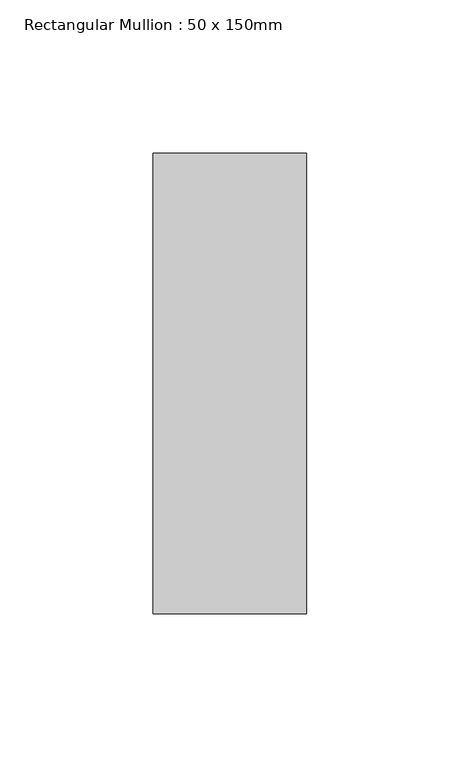
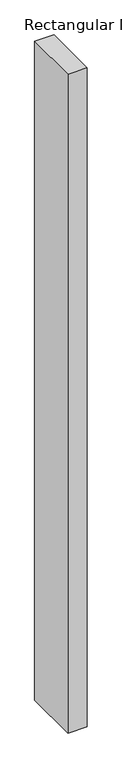
"""IFC4 building model written with IfcOpenShell, lengths in millimetres: member geometry, Rectangular Mullion : 50 x 150mm."""

import ifcopenshell
import ifcopenshell.guid

model = None  # the IFC model being written
_history = None  # IfcOwnerHistory: only IFC2X3 demands one
_inside = {}  # id of a spatial element -> (the spatial element, [elements in it])
_under = {}  # id of a project, library or spatial element -> (it, [spatial elements below it])
_declared = {}  # id of a project -> (the project, [libraries it declares])
_typed = {}  # id of a type object -> (the type object, [elements of that type])
_made_of = {}  # id of a material, layer set ... -> (it, [elements and type objects made of it])


def new_model(schema):
    """Start an empty IFC model of exactly this schema.

    Asked for "IFC4X3", IfcOpenShell would pick the latest addendum, in which some entities
    have other attributes; the version numbers below select the first issue.
    IFC2X3 requires an IfcOwnerHistory on every rooted entity: one is made here for all.
    """
    global model, _history
    if schema == "IFC4X3":
        model = ifcopenshell.file(schema_version=(4, 3, 0, 0))
    else:
        model = ifcopenshell.file(schema=schema)
    _inside.clear()
    _under.clear()
    _declared.clear()
    _typed.clear()
    _made_of.clear()
    _history = None
    if model.schema == "IFC2X3":
        org = make("IfcOrganization", Name="unknown")
        user = make(
            "IfcPersonAndOrganization",
            ThePerson=make("IfcPerson", FamilyName="unknown"),
            TheOrganization=org,
        )
        app = make(
            "IfcApplication",
            ApplicationDeveloper=org,
            Version="unknown",
            ApplicationFullName="unknown",
            ApplicationIdentifier="unknown",
        )
        _history = make(
            "IfcOwnerHistory",
            OwningUser=user,
            OwningApplication=app,
            ChangeAction="ADDED",
            CreationDate=0,
        )
    return model


def make(cls, **values):
    """One entity of the class cls with the attributes given. An attribute that is None is left unset."""
    return model.create_entity(
        cls, **{name: value for name, value in values.items() if value is not None}
    )


def rooted(cls, **values):
    """An entity with a GlobalId (a new one), such as an element, a storey or a relation."""
    return make(cls, GlobalId=ifcopenshell.guid.new(), OwnerHistory=_history, **values)


def si_unit(unit_type, name, prefix=None):
    """IfcSIUnit, for example si_unit("LENGTHUNIT", "METRE", prefix="MILLI")."""
    return make("IfcSIUnit", UnitType=unit_type, Prefix=prefix, Name=name)


def assignment(units):
    """IfcUnitAssignment: the units of a project."""
    return None if units is None else make("IfcUnitAssignment", Units=units)


def point(xyz):
    """IfcCartesianPoint."""
    return None if xyz is None else make("IfcCartesianPoint", Coordinates=xyz)


def direction(xyz):
    """IfcDirection."""
    return None if xyz is None else make("IfcDirection", DirectionRatios=xyz)


def frame(location, z_axis=None, x_axis=None):
    """IfcAxis2Placement3D, a coordinate frame: its origin and axes. An axis left out is left unset."""
    return make(
        "IfcAxis2Placement3D",
        Location=point(location),
        Axis=direction(z_axis),
        RefDirection=direction(x_axis),
    )


def origin():
    """The frame at (0, 0, 0) with its axes left unset."""
    return frame((0.0, 0.0, 0.0))


def place(relative_to, where):
    """IfcLocalPlacement: puts the frame where relative to a parent placement (None: the world)."""
    return make(
        "IfcLocalPlacement", PlacementRelTo=relative_to, RelativePlacement=where
    )


def context(
    kind, dimensions, precision=None, world=None, true_north=None, identifier=None
):
    """IfcGeometricRepresentationContext, for example the 3D "Model" context."""
    return make(
        "IfcGeometricRepresentationContext",
        ContextIdentifier=identifier,
        ContextType=kind,
        CoordinateSpaceDimension=dimensions,
        Precision=precision,
        WorldCoordinateSystem=world,
        TrueNorth=true_north,
    )


def project(units=None, contexts=None):
    """IfcProject with its units and contexts."""
    return rooted(
        "IfcProject",
        Name="project",
        RepresentationContexts=contexts,
        UnitsInContext=assignment(units),
    )


def spatial(cls, under=None, at=None, **own):
    """A site, building, storey or space (cls), placed at a placement, below another one or the project."""
    s = rooted(cls, ObjectPlacement=at, **own)
    if under is not None:
        _under.setdefault(under.id(), (under, []))[1].append(s)
    return s


def polyline(points):
    """IfcPolyline through the points."""
    return make("IfcPolyline", Points=[point(p) for p in points])


def outline(outer, holes=None, kind="AREA"):
    """IfcArbitraryClosedProfileDef: a profile drawn as a closed curve; with holes, ...WithVoids."""
    if holes is None:
        return make("IfcArbitraryClosedProfileDef", ProfileType=kind, OuterCurve=outer)
    return make(
        "IfcArbitraryProfileDefWithVoids",
        ProfileType=kind,
        OuterCurve=outer,
        InnerCurves=holes,
    )


def extrude(swept, where, along, depth):
    """IfcExtrudedAreaSolid: the profile swept, set in the frame where, extruded along a direction by depth."""
    return make(
        "IfcExtrudedAreaSolid",
        SweptArea=swept,
        Position=where,
        ExtrudedDirection=direction(along),
        Depth=depth,
    )


def shape(context_of_items, identifier, shape_type, items):
    """IfcShapeRepresentation: the items that make up one representation, for example the "Body"."""
    return make(
        "IfcShapeRepresentation",
        ContextOfItems=context_of_items,
        RepresentationIdentifier=identifier,
        RepresentationType=shape_type,
        Items=items,
    )


def source(mapping_origin, context_of_items, identifier, shape_type, items):
    """IfcRepresentationMap: a shape defined once, which mapped items show again and again."""
    return make(
        "IfcRepresentationMap",
        MappingOrigin=mapping_origin,
        MappedRepresentation=shape(context_of_items, identifier, shape_type, items),
    )


def transform(
    local_origin,
    x_axis=None,
    y_axis=None,
    z_axis=None,
    scale=None,
    scale2=None,
    scale3=None,
    uniform=True,
):
    """IfcCartesianTransformationOperator3D, or its non-uniform kind. x_axis, y_axis, z_axis: its Axis1, 2, 3."""
    if uniform:
        return make(
            "IfcCartesianTransformationOperator3D",
            Axis1=direction(x_axis),
            Axis2=direction(y_axis),
            LocalOrigin=point(local_origin),
            Scale=scale,
            Axis3=direction(z_axis),
        )
    return make(
        "IfcCartesianTransformationOperator3DnonUniform",
        Axis1=direction(x_axis),
        Axis2=direction(y_axis),
        LocalOrigin=point(local_origin),
        Scale=scale,
        Axis3=direction(z_axis),
        Scale2=scale2,
        Scale3=scale3,
    )


def mapped(mapping_source, mapping_target):
    """IfcMappedItem: shows the shape of a source again, moved by a transform."""
    return make(
        "IfcMappedItem", MappingSource=mapping_source, MappingTarget=mapping_target
    )


def made_of(thing, what):
    """Note that an element or type object is made of a material, layer set ...; save() writes the relation."""
    if what is not None:
        _made_of.setdefault(what.id(), (what, []))[1].append(thing)
    return thing


def element(
    cls,
    number,
    at=None,
    inside=None,
    cuts=None,
    type_object=None,
    material=None,
    context=None,
    identifier="Body",
    shape_type=None,
    held_by="IfcProductDefinitionShape",
    body=None,
    shapes=None,
    **own,
):
    """One element of the class cls, such as IfcWall. Its Tag is "e" and its number.

    at: its placement. inside: the storey or other place that contains it. cuts: it is an
    opening in that element (IfcRelVoidsElement). A single representation is given by context,
    identifier, shape_type and body (its items); several are given by shapes. held_by: the class
    of the entity that holds the representations. save() writes the other relations.
    """
    e = rooted(cls, Tag="e%d" % number, ObjectPlacement=at, **own)
    if body is not None:
        shapes = [shape(context, identifier, shape_type, body)]
    if shapes is not None:
        e.Representation = make(held_by, Representations=shapes)
    if inside is not None:
        _inside.setdefault(inside.id(), (inside, []))[1].append(e)
    if cuts is not None:
        rooted(
            "IfcRelVoidsElement", RelatingBuildingElement=cuts, RelatedOpeningElement=e
        )
    if type_object is not None:
        _typed.setdefault(type_object.id(), (type_object, []))[1].append(e)
    return made_of(e, material)


def aggregate(whole, parts):
    """IfcRelAggregates: a whole, such as a stair, and the parts it consists of."""
    return rooted("IfcRelAggregates", RelatingObject=whole, RelatedObjects=parts)


def save(model, path):
    """Write the relations noted so far, then the file.

    IfcRelAggregates (storeys below a building ...), IfcRelContainedInSpatialStructure (elements
    in a storey), IfcRelDefinesByType, IfcRelAssociatesMaterial and IfcRelDeclares: one each for
    every whole, place, type object, material and project.
    """
    for whole, parts in _under.values():
        aggregate(whole, parts)
    for where, things in _inside.values():
        rooted(
            "IfcRelContainedInSpatialStructure",
            RelatedElements=things,
            RelatingStructure=where,
        )
    for kind, things in _typed.values():
        rooted("IfcRelDefinesByType", RelatedObjects=things, RelatingType=kind)
    for what, things in _made_of.values():
        rooted("IfcRelAssociatesMaterial", RelatedObjects=things, RelatingMaterial=what)
    for by, libraries in _declared.values():
        rooted("IfcRelDeclares", RelatingContext=by, RelatedDefinitions=libraries)
    model.write(path)


def rectangular_mullion_50_x_150mm_c66f904b(model_context):
    return source(origin(), model_context, "Body", "SweptSolid", [
        extrude(outline(polyline([(25.0, 75.0), (25.0, -75.0), (-25.0, -75.0), (-25.0, 75.0), (25.0, 75.0)])), frame((0.0, 0.0, -1818.3333333), z_axis=(0.0, 0.0, 1.0), x_axis=(1.0, 0.0, 0.0)), (0.0, 0.0, 1.0), 1818.3333333),
    ])


if __name__ == "__main__":
    model = new_model("IFC4")
    model_context = context("Model", 3, world=origin())
    ifc_project = project(units=[si_unit("LENGTHUNIT", "METRE", prefix="MILLI")], contexts=[model_context])
    site = spatial("IfcSite", under=ifc_project)
    building = spatial("IfcBuilding", under=site)
    placement = place(None, origin())
    rectangular_mullion_50_x_150mm_shape = rectangular_mullion_50_x_150mm_c66f904b(model_context)
    element("IfcMember", 1, ObjectType="Rectangular Mullion : 50 x 150mm", at=placement, inside=building, context=model_context, shape_type="MappedRepresentation", body=[
        mapped(rectangular_mullion_50_x_150mm_shape, transform((0.0, 0.0, 0.0), x_axis=(1.0, 0.0, 0.0), y_axis=(0.0, 1.0, 0.0), z_axis=(0.0, 0.0, 1.0))),
    ])
    save(model, "model.ifc")
